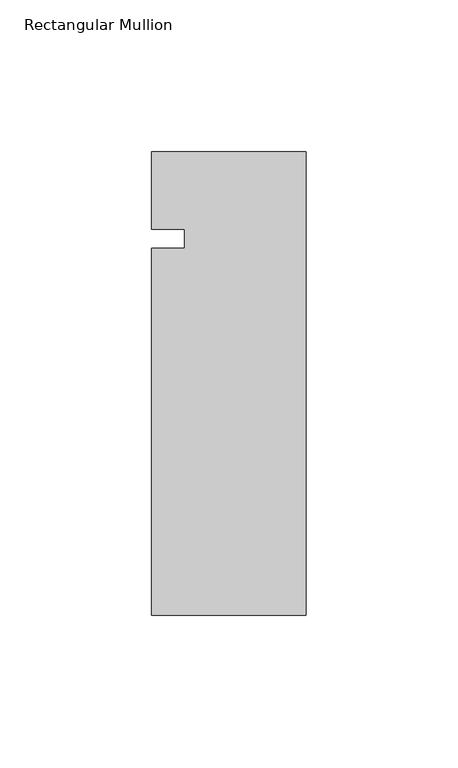
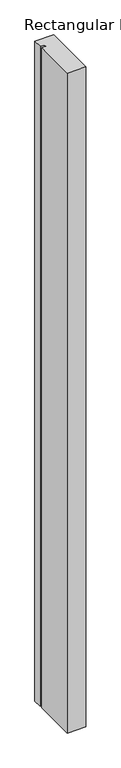
"""IFC4 building model written with IfcOpenShell, lengths in millimetres: member geometry, Rectangular Mullion."""

from ifc_helpers import new_model, si_unit, frame, origin, place, context, project, spatial, polyline, outline, extrude, source, transform, mapped, element, save


def rectangular_mullion_1a069cd8(model_context):
    return source(origin(), model_context, "Body", "SweptSolid", [
        extrude(outline(polyline([(0.0, -152.4), (-50.8, -152.4), (-50.8, -31.75), (-40.0803063, -31.75), (-40.0803063, -25.4), (-50.8, -25.4), (-50.8, 0.0), (0.0, 0.0), (0.0, -152.4)])), frame((0.0, 0.0, -1904.999416), z_axis=(0.0, 0.0, 1.0), x_axis=(1.0, 0.0, 0.0)), (0.0, 0.0, 1.0), 1904.999416),
    ])


if __name__ == "__main__":
    model = new_model("IFC4")
    model_context = context("Model", 3, world=origin())
    ifc_project = project(units=[si_unit("LENGTHUNIT", "METRE", prefix="MILLI")], contexts=[model_context])
    site = spatial("IfcSite", under=ifc_project)
    building = spatial("IfcBuilding", under=site)
    placement = place(None, origin())
    rectangular_mullion_shape = rectangular_mullion_1a069cd8(model_context)
    element("IfcMember", 1, ObjectType="Rectangular Mullion", at=placement, inside=building, context=model_context, shape_type="MappedRepresentation", body=[
        mapped(rectangular_mullion_shape, transform((0.0, 0.0, 0.0), x_axis=(1.0, 0.0, 0.0), y_axis=(0.0, 1.0, 0.0), z_axis=(0.0, 0.0, 1.0))),
    ])
    save(model, "model.ifc")
